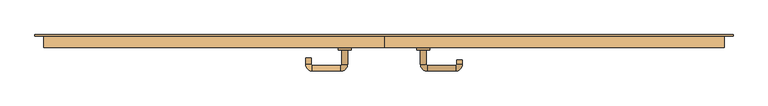
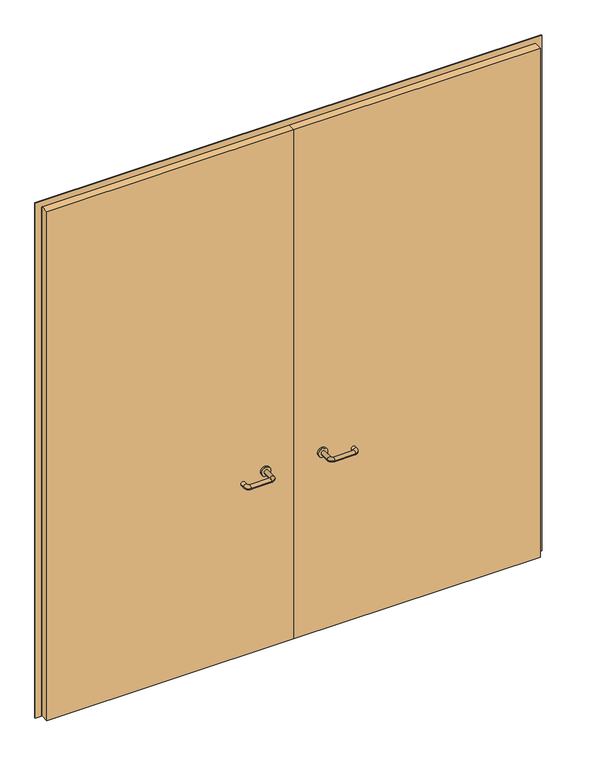
"""IFC4 building model written with IfcOpenShell, lengths in millimetres: door geometry."""

from ifc_helpers import new_model, si_unit, point, frame, frame_2d, origin, place, context, project, spatial, polyline, circle_curve, ellipse_curve, trimmed, segment, composite_curve, outline, extrude, source, transform, mapped, element, save
from ifc_brep_helpers import plane_surface, cylinder_surface, revolved_surface, advanced_brep


def door_5b315b97(model_context):
    return source(origin(), model_context, "Body", "SolidModel", [
        extrude(outline(polyline([(2900.0, -1350.0), (0.0, -1350.0), (0.0, -1318.0), (2868.0, -1318.0), (2868.0, 1318.0), (0.0, 1318.0), (0.0, 1350.0), (2900.0, 1350.0), (2900.0, -1350.0)])), frame((0.0, 10.0, 0.0), z_axis=(0.0, 1.0, 0.0), x_axis=(0.0, 0.0, 1.0)), (0.0, 0.0, 1.0), 5.0),
        advanced_brep(
        [(140.99898, -44.0, 1003.0), (162.99898, -44.0, 1003.0), (140.99898, -99.3525369, 1003.0), (162.99898, -99.3525369, 1003.0), (166.99898, -103.3525369, 1003.0), (166.99898, -125.3525369, 1003.0), (276.99898, -125.3525369, 1003.0), (276.99898, -103.3525369, 1003.0), (280.99898, -99.3525369, 1003.0), (302.99898, -99.3525369, 1003.0), (302.99898, -82.0, 1003.0), (280.99898, -82.0, 1003.0)],
        [
            (0, 1, circle_curve(frame((151.99898, -44.0, 1003.0), z_axis=(0.0, 1.0, 0.0), x_axis=(1.0, 0.0, 0.0)), 11.0)),
            (1, 0, circle_curve(frame((151.99898, -44.0, 1003.0), z_axis=(0.0, 1.0, 0.0), x_axis=(1.0, 0.0, 0.0)), 11.0)),
            (0, 2),
            (2, 3, circle_curve(frame((151.99898, -99.3525369, 1003.0), z_axis=(0.0, 1.0, 0.0), x_axis=(1.0, 0.0, 0.0)), 11.0)),
            (3, 1),
            (3, 2, circle_curve(frame((151.99898, -99.3525369, 1003.0), z_axis=(0.0, 1.0, 0.0), x_axis=(1.0, 0.0, 0.0)), 11.0)),
            (4, 3, circle_curve(frame((166.99898, -99.3525369, 1003.0), z_axis=(0.0, 0.0, -1.0), x_axis=(-1.0, 0.0, 0.0)), 4.0)),
            (2, 5, circle_curve(frame((166.99898, -99.3525369, 1003.0), z_axis=(0.0, 0.0, 1.0), x_axis=(-1.0, 0.0, 0.0)), 26.0)),
            (5, 4, circle_curve(frame((166.99898, -114.3525369, 1003.0), z_axis=(-1.0, 0.0, 0.0), x_axis=(0.0, 1.0, 0.0)), 11.0)),
            (4, 5, circle_curve(frame((166.99898, -114.3525369, 1003.0), z_axis=(-1.0, 0.0, 0.0), x_axis=(0.0, 1.0, 0.0)), 11.0)),
            (5, 6),
            (6, 7, circle_curve(frame((276.99898, -114.3525369, 1003.0), z_axis=(-1.0, 0.0, 0.0), x_axis=(0.0, 1.0, 0.0)), 11.0)),
            (7, 4),
            (7, 6, circle_curve(frame((276.99898, -114.3525369, 1003.0), z_axis=(-1.0, 0.0, 0.0), x_axis=(0.0, 1.0, 0.0)), 11.0)),
            (8, 7, circle_curve(frame((276.99898, -99.3525369, 1003.0), z_axis=(0.0, 0.0, -1.0), x_axis=(0.0, -1.0, 0.0)), 4.0)),
            (6, 9, circle_curve(frame((276.99898, -99.3525369, 1003.0), z_axis=(0.0, 0.0, 1.0), x_axis=(0.0, -1.0, 0.0)), 26.0)),
            (9, 8, circle_curve(frame((291.99898, -99.3525369, 1003.0), z_axis=(0.0, -1.0, 0.0), x_axis=(-1.0, 0.0, 0.0)), 11.0)),
            (8, 9, circle_curve(frame((291.99898, -99.3525369, 1003.0), z_axis=(0.0, -1.0, 0.0), x_axis=(-1.0, 0.0, 0.0)), 11.0)),
            (10, 11, circle_curve(frame((291.99898, -82.0, 1003.0), z_axis=(0.0, 1.0, 0.0), x_axis=(-1.0, 0.0, 0.0)), 11.0)),
            (11, 10, circle_curve(frame((291.99898, -82.0, 1003.0), z_axis=(0.0, 1.0, 0.0), x_axis=(-1.0, 0.0, 0.0)), 11.0)),
            (9, 10),
            (11, 8),
        ],
        [
            plane_surface(frame((140.99898, -44.0, 1003.0), z_axis=(0.0, 1.0, 0.0), x_axis=(0.0, 0.0, -1.0))),
            cylinder_surface(frame((151.99898, -44.0, 1003.0), z_axis=(0.0, 1.0, 0.0), x_axis=(1.0, 0.0, 0.0)), 11.0),
            revolved_surface(trimmed(ellipse_curve(frame((151.99898, -99.3525369, 1003.0), z_axis=(0.0, 1.0, 0.0), x_axis=(1.0, 0.0, 0.0)), 11.0, 11.0), [point((140.99898, -99.3525369, 1003.0))], [point((162.99898, -99.3525369, 1003.0))], True, "CARTESIAN"), (166.99898, -99.3525369, 1003.0), (0.0, 0.0, 1.0)),
            revolved_surface(trimmed(ellipse_curve(frame((151.99898, -99.3525369, 1003.0), z_axis=(0.0, 1.0, 0.0), x_axis=(1.0, 0.0, 0.0)), 11.0, 11.0), [point((162.99898, -99.3525369, 1003.0))], [point((140.99898, -99.3525369, 1003.0))], True, "CARTESIAN"), (166.99898, -99.3525369, 1003.0), (0.0, 0.0, 1.0)),
            cylinder_surface(frame((166.99898, -114.3525369, 1003.0), z_axis=(-1.0, 0.0, 0.0), x_axis=(0.0, 1.0, 0.0)), 11.0),
            revolved_surface(trimmed(ellipse_curve(frame((276.99898, -114.3525369, 1003.0), z_axis=(-1.0, 0.0, 0.0), x_axis=(0.0, 1.0, 0.0)), 11.0, 11.0), [point((276.99898, -125.3525369, 1003.0))], [point((276.99898, -103.3525369, 1003.0))], True, "CARTESIAN"), (276.99898, -99.3525369, 1003.0), (0.0, 0.0, 1.0)),
            revolved_surface(trimmed(ellipse_curve(frame((276.99898, -114.3525369, 1003.0), z_axis=(-1.0, 0.0, 0.0), x_axis=(0.0, 1.0, 0.0)), 11.0, 11.0), [point((276.99898, -103.3525369, 1003.0))], [point((276.99898, -125.3525369, 1003.0))], True, "CARTESIAN"), (276.99898, -99.3525369, 1003.0), (0.0, 0.0, 1.0)),
            plane_surface(frame((280.99898, -82.0, 1003.0), z_axis=(0.0, 1.0, 0.0), x_axis=(0.0, 0.0, 1.0))),
            cylinder_surface(frame((291.99898, -99.3525369, 1003.0), z_axis=(0.0, -1.0, 0.0), x_axis=(-1.0, 0.0, 0.0)), 11.0),
        ],
        [
            (0, [[1, 2]]),
            (1, [[-1, 3, 4, 5]]),
            (1, [[-2, -5, 6, -3]]),
            (2, [[7, -4, 8, 9]]),
            (3, [[-8, -6, -7, 10]]),
            (4, [[-9, 11, 12, 13]]),
            (4, [[-10, -13, 14, -11]]),
            (5, [[15, -12, 16, 17]]),
            (6, [[-16, -14, -15, 18]]),
            (7, [[19, 20]]),
            (8, [[-17, 21, -20, 22]]),
            (8, [[-18, -22, -19, -21]]),
        ],
    ),
        extrude(outline(composite_curve([segment(trimmed(circle_curve(frame_2d((1003.0, 151.99898)), 25.0), [point((1003.0, 126.99898))], [point((1003.0, 176.99898))], False, "CARTESIAN"), True, "CONTINUOUS"), segment(trimmed(circle_curve(frame_2d((1003.0, 151.99898)), 25.0), [point((1003.0, 176.99898))], [point((1003.0, 126.99898))], False, "CARTESIAN"), True, "CONTINUOUS")], self_intersect=False)), frame((0.0, -44.0, 0.0), z_axis=(0.0, 1.0, 0.0), x_axis=(0.0, 0.0, 1.0)), (0.0, 0.0, 1.0), 10.0),
        advanced_brep(
        [(-162.99898, -44.3113879, 1003.0), (-140.99898, -44.3113879, 1003.0), (-162.99898, -99.7220447, 1003.0), (-140.99898, -99.7220447, 1003.0), (-166.99898, -125.7220447, 1003.0), (-166.99898, -103.7220447, 1003.0), (-276.99898, -103.7220447, 1003.0), (-276.99898, -125.7220447, 1003.0), (-302.99898, -99.7220447, 1003.0), (-280.99898, -99.7220447, 1003.0), (-280.99898, -74.7220447, 1003.0), (-302.99898, -74.7220447, 1003.0)],
        [
            (0, 1, circle_curve(frame((-151.99898, -44.3113879, 1003.0), z_axis=(0.0, 1.0, 0.0), x_axis=(1.0, 0.0, 0.0)), 11.0)),
            (1, 0, circle_curve(frame((-151.99898, -44.3113879, 1003.0), z_axis=(0.0, 1.0, 0.0), x_axis=(1.0, 0.0, 0.0)), 11.0)),
            (0, 2),
            (2, 3, circle_curve(frame((-151.99898, -99.7220447, 1003.0), z_axis=(0.0, 1.0, 0.0), x_axis=(1.0, 0.0, 0.0)), 11.0)),
            (3, 1),
            (3, 2, circle_curve(frame((-151.99898, -99.7220447, 1003.0), z_axis=(0.0, 1.0, 0.0), x_axis=(1.0, 0.0, 0.0)), 11.0)),
            (4, 3, circle_curve(frame((-166.99898, -99.7220447, 1003.0), z_axis=(0.0, 0.0, 1.0), x_axis=(1.0, 0.0, 0.0)), 26.0)),
            (2, 5, circle_curve(frame((-166.99898, -99.7220447, 1003.0), z_axis=(0.0, 0.0, -1.0), x_axis=(1.0, 0.0, 0.0)), 4.0)),
            (5, 4, circle_curve(frame((-166.99898, -114.7220447, 1003.0), z_axis=(1.0, 0.0, 0.0), x_axis=(0.0, -1.0, 0.0)), 11.0)),
            (4, 5, circle_curve(frame((-166.99898, -114.7220447, 1003.0), z_axis=(1.0, 0.0, 0.0), x_axis=(0.0, -1.0, 0.0)), 11.0)),
            (5, 6),
            (6, 7, circle_curve(frame((-276.99898, -114.7220447, 1003.0), z_axis=(1.0, 0.0, 0.0), x_axis=(0.0, -1.0, 0.0)), 11.0)),
            (7, 4),
            (7, 6, circle_curve(frame((-276.99898, -114.7220447, 1003.0), z_axis=(1.0, 0.0, 0.0), x_axis=(0.0, -1.0, 0.0)), 11.0)),
            (8, 7, circle_curve(frame((-276.99898, -99.7220447, 1003.0), z_axis=(0.0, 0.0, 1.0), x_axis=(0.0, -1.0, 0.0)), 26.0)),
            (6, 9, circle_curve(frame((-276.99898, -99.7220447, 1003.0), z_axis=(0.0, 0.0, -1.0), x_axis=(0.0, -1.0, 0.0)), 4.0)),
            (9, 8, circle_curve(frame((-291.99898, -99.7220447, 1003.0), z_axis=(0.0, -1.0, 0.0), x_axis=(-1.0, 0.0, 0.0)), 11.0)),
            (8, 9, circle_curve(frame((-291.99898, -99.7220447, 1003.0), z_axis=(0.0, -1.0, 0.0), x_axis=(-1.0, 0.0, 0.0)), 11.0)),
            (10, 11, circle_curve(frame((-291.99898, -74.7220447, 1003.0), z_axis=(0.0, 1.0, 0.0), x_axis=(-1.0, 0.0, 0.0)), 11.0)),
            (11, 10, circle_curve(frame((-291.99898, -74.7220447, 1003.0), z_axis=(0.0, 1.0, 0.0), x_axis=(-1.0, 0.0, 0.0)), 11.0)),
            (9, 10),
            (11, 8),
        ],
        [
            plane_surface(frame((-162.99898, -44.3113879, 1003.0), z_axis=(0.0, 1.0, 0.0), x_axis=(0.0, 0.0, -1.0))),
            cylinder_surface(frame((-151.99898, -44.3113879, 1003.0), z_axis=(0.0, 1.0, 0.0), x_axis=(1.0, 0.0, 0.0)), 11.0),
            revolved_surface(trimmed(ellipse_curve(frame((-151.99898, -99.7220447, 1003.0), z_axis=(0.0, 1.0, 0.0), x_axis=(1.0, 0.0, 0.0)), 11.0, 11.0), [point((-162.99898, -99.7220447, 1003.0))], [point((-140.99898, -99.7220447, 1003.0))], True, "CARTESIAN"), (-166.99898, -99.7220447, 1003.0), (0.0, 0.0, -1.0)),
            revolved_surface(trimmed(ellipse_curve(frame((-151.99898, -99.7220447, 1003.0), z_axis=(0.0, 1.0, 0.0), x_axis=(1.0, 0.0, 0.0)), 11.0, 11.0), [point((-140.99898, -99.7220447, 1003.0))], [point((-162.99898, -99.7220447, 1003.0))], True, "CARTESIAN"), (-166.99898, -99.7220447, 1003.0), (0.0, 0.0, -1.0)),
            cylinder_surface(frame((-166.99898, -114.7220447, 1003.0), z_axis=(1.0, 0.0, 0.0), x_axis=(0.0, -1.0, 0.0)), 11.0),
            revolved_surface(trimmed(ellipse_curve(frame((-276.99898, -114.7220447, 1003.0), z_axis=(1.0, 0.0, 0.0), x_axis=(0.0, -1.0, 0.0)), 11.0, 11.0), [point((-276.99898, -103.7220447, 1003.0))], [point((-276.99898, -125.7220447, 1003.0))], True, "CARTESIAN"), (-276.99898, -99.7220447, 1003.0), (0.0, 0.0, -1.0)),
            revolved_surface(trimmed(ellipse_curve(frame((-276.99898, -114.7220447, 1003.0), z_axis=(1.0, 0.0, 0.0), x_axis=(0.0, -1.0, 0.0)), 11.0, 11.0), [point((-276.99898, -125.7220447, 1003.0))], [point((-276.99898, -103.7220447, 1003.0))], True, "CARTESIAN"), (-276.99898, -99.7220447, 1003.0), (0.0, 0.0, -1.0)),
            plane_surface(frame((-302.99898, -74.7220447, 1003.0), z_axis=(0.0, 1.0, 0.0), x_axis=(0.0, 0.0, 1.0))),
            cylinder_surface(frame((-291.99898, -99.7220447, 1003.0), z_axis=(0.0, -1.0, 0.0), x_axis=(-1.0, 0.0, 0.0)), 11.0),
        ],
        [
            (0, [[1, 2]]),
            (1, [[-1, 3, 4, 5]]),
            (1, [[-2, -5, 6, -3]]),
            (2, [[7, -4, 8, 9]]),
            (3, [[-8, -6, -7, 10]]),
            (4, [[-9, 11, 12, 13]]),
            (4, [[-10, -13, 14, -11]]),
            (5, [[15, -12, 16, 17]]),
            (6, [[-16, -14, -15, 18]]),
            (7, [[19, 20]]),
            (8, [[-17, 21, -20, 22]]),
            (8, [[-18, -22, -19, -21]]),
        ],
    ),
        extrude(outline(composite_curve([segment(trimmed(circle_curve(frame_2d((1003.0, -151.99898)), 25.0), [point((1003.0, -176.99898))], [point((1003.0, -126.99898))], False, "CARTESIAN"), True, "CONTINUOUS"), segment(trimmed(circle_curve(frame_2d((1003.0, -151.99898)), 25.0), [point((1003.0, -126.99898))], [point((1003.0, -176.99898))], False, "CARTESIAN"), True, "CONTINUOUS")], self_intersect=False)), frame((0.0, -44.3113879, 0.0), z_axis=(0.0, 1.0, 0.0), x_axis=(0.0, 0.0, 1.0)), (0.0, 0.0, 1.0), 10.3113879),
        extrude(outline(polyline([(1.0739506, -34.0), (-1315.0, -34.0), (-1315.0, 10.0), (1.0739506, 10.0), (1.0739506, -34.0)])), frame((0.0, 0.0, 1.753223), z_axis=(0.0, 0.0, 1.0), x_axis=(1.0, 0.0, 0.0)), (0.0, 0.0, 1.0), 2866.246777),
        extrude(outline(polyline([(1315.0, -34.0), (1.0739506, -34.0), (1.0739506, 10.0), (1315.0, 10.0), (1315.0, -34.0)])), frame((0.0, 0.0, 1.753223), z_axis=(0.0, 0.0, 1.0), x_axis=(1.0, 0.0, 0.0)), (0.0, 0.0, 1.0), 2866.246777),
    ])


if __name__ == "__main__":
    model = new_model("IFC4")
    model_context = context("Model", 3, world=origin())
    ifc_project = project(units=[si_unit("LENGTHUNIT", "METRE", prefix="MILLI")], contexts=[model_context])
    site = spatial("IfcSite", under=ifc_project)
    building = spatial("IfcBuilding", under=site)
    placement = place(None, origin())
    door_shape = door_5b315b97(model_context)
    element("IfcDoor", 1, at=placement, inside=building, context=model_context, shape_type="MappedRepresentation", body=[
        mapped(door_shape, transform((0.0, 0.0, 0.0), x_axis=(1.0, 0.0, 0.0), y_axis=(0.0, 1.0, 0.0), z_axis=(0.0, 0.0, 1.0))),
    ])
    save(model, "model.ifc")
